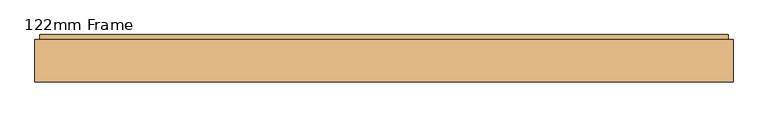
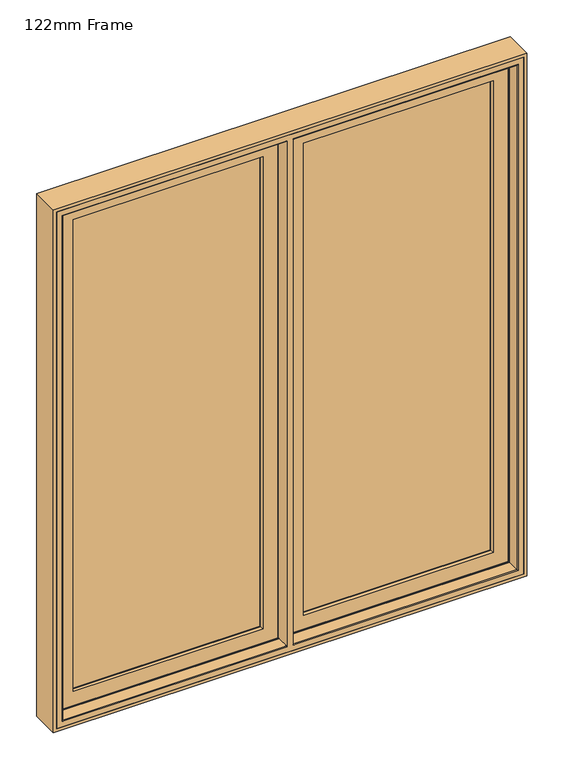
"""IFC4 building model written with IfcOpenShell, lengths in millimetres: door geometry, 122mm Frame."""

from ifc_helpers import new_model, si_unit, frame, origin, place, context, project, spatial, polyline, circle_curve, ellipse_curve, outline, extrude, faceted_brep, source, transform, mapped, element, save
from ifc_brep_helpers import plane_surface, cylinder_surface, advanced_brep


def door_122mm_frame_86a6da2f(model_context):
    return source(origin(), model_context, "Body", "SolidModel", [
        extrude(outline(polyline([(-810.0, 141.0), (-65.6, 141.0), (-65.6, 93.0), (-810.0, 93.0), (-810.0, 141.0)])), frame((0.0, 0.0, 90.0), z_axis=(0.0, 0.0, 1.0), x_axis=(1.0, 0.0, 0.0)), (0.0, 0.0, 1.0), 1920.0),
        faceted_brep([(-43.2001533, 153.0, 2032.3998467), (-43.2001533, 148.4070391, 2032.3998467), (-43.2001533, 148.4070391, 67.6001533), (-43.2001533, 153.0, 67.6001533), (-37.9260611, 139.5531262, 2037.6739389), (-37.9260611, 139.5531262, 62.3260611), (-832.3998467, 148.4070391, 67.6001533), (-832.3998467, 153.0, 67.6001533), (-832.3998467, 153.0, 2032.3998467), (-76.3433832, 153.0, 1999.2566168), (-799.2566168, 153.0, 1999.2566168), (-799.2566168, 153.0, 100.7433832), (-76.3433832, 153.0, 100.7433832), (-36.0866045, 139.5531262, 60.4866045), (-839.5133955, 139.5531262, 60.4866045), (-839.5133955, 139.5531262, 2039.5133955), (-36.0866045, 139.5531262, 2039.5133955), (-837.6739389, 139.5531262, 2037.6739389), (-837.6739389, 139.5531262, 62.3260611), (-36.0866045, 121.0, 2039.5133955), (-36.0866045, 121.0, 60.4866045), (-26.0866045, 121.0, 50.4866045), (-849.5133955, 121.0, 50.4866045), (-849.5133955, 121.0, 2049.5133955), (-26.0866045, 121.0, 2049.5133955), (-839.5133955, 121.0, 2039.5133955), (-839.5133955, 121.0, 60.4866045), (-26.0866045, 88.5, 2049.5133955), (-26.0866045, 88.5, 50.4866045), (-15.3023, 88.5, 39.7023001), (-860.2977, 88.5, 39.7023001), (-860.2977, 88.5, 2060.2977), (-15.3023, 88.5, 2060.2977), (-849.5133955, 88.5, 2049.5133955), (-849.5133955, 88.5, 50.4866045), (-15.3023, 83.5, 2060.2977), (-15.3023, 83.5, 39.7023001), (-860.2977, 83.5, 2060.2977), (-860.2977, 83.5, 39.7023001), (-22.1, 83.5, 46.5), (-853.5, 83.5, 46.5), (-853.5, 83.5, 2053.5), (-22.1, 83.5, 2053.5), (-22.1, 78.0, 2053.5), (-22.1, 78.0, 46.5), (-853.5, 78.0, 2053.5), (-853.5, 78.0, 46.5), (-77.2842184, 78.0, 101.6842184), (-798.3157816, 78.0, 101.6842184), (-798.3157816, 78.0, 1998.3157816), (-77.2842184, 78.0, 1998.3157816), (-79.5996933, 88.8934531, 1996.0003067), (-79.5996933, 88.8934531, 103.9996933), (-79.5996933, 93.0, 1996.0003067), (-79.5996933, 93.0, 103.9996933), (-796.0003067, 88.8934531, 103.9996933), (-65.6, 93.0, 90.0), (-810.0, 93.0, 90.0), (-810.0, 93.0, 2010.0), (-65.6, 93.0, 2010.0), (-796.0003067, 93.0, 1996.0003067), (-796.0003067, 93.0, 103.9996933), (-65.6, 141.0, 2010.0), (-65.6, 141.0, 90.0), (-810.0, 141.0, 2010.0), (-810.0, 141.0, 90.0), (-80.0121514, 141.0, 104.4121514), (-795.5878486, 141.0, 104.4121514), (-795.5878486, 141.0, 1995.5878486), (-80.0121514, 141.0, 1995.5878486), (-832.3998467, 148.4070391, 2032.3998467), (-796.0003067, 88.8934531, 1996.0003067)], [[[0, 1, 2, 3]], [[1, 4, 5, 2]], [[3, 2, 6, 7]], [[3, 7, 8, 0], [9, 10, 11, 12]], [[13, 14, 15, 16], [4, 17, 18, 5]], [[2, 5, 18, 6]], [[16, 19, 20, 13]], [[21, 22, 23, 24], [19, 25, 26, 20]], [[13, 20, 26, 14]], [[24, 27, 28, 21]], [[29, 30, 31, 32], [27, 33, 34, 28]], [[21, 28, 34, 22]], [[32, 35, 36, 29]], [[35, 37, 38, 36], [39, 40, 41, 42]], [[29, 36, 38, 30]], [[42, 43, 44, 39]], [[43, 45, 46, 44], [47, 48, 49, 50]], [[39, 44, 46, 40]], [[50, 51, 52, 47]], [[51, 53, 54, 52]], [[47, 52, 55, 48]], [[56, 57, 58, 59], [53, 60, 61, 54]], [[52, 54, 61, 55]], [[59, 62, 63, 56]], [[62, 64, 65, 63], [66, 67, 68, 69]], [[56, 63, 65, 57]], [[69, 9, 12, 66]], [[66, 12, 11, 67]], [[7, 6, 70, 8]], [[6, 18, 17, 70]], [[14, 26, 25, 15]], [[22, 34, 33, 23]], [[30, 38, 37, 31]], [[40, 46, 45, 41]], [[48, 55, 71, 49]], [[55, 61, 60, 71]], [[57, 65, 64, 58]], [[67, 11, 10, 68]], [[8, 70, 1, 0]], [[70, 17, 4, 1]], [[15, 25, 19, 16]], [[23, 33, 27, 24]], [[31, 37, 35, 32]], [[41, 45, 43, 42]], [[49, 71, 51, 50]], [[71, 60, 53, 51]], [[58, 64, 62, 59]], [[68, 10, 9, 69]]]),
        advanced_brep(
        [(-864.0, 83.0, 2064.0), (-864.0, 35.0, 2064.0), (-864.0, 35.0, 36.0), (-864.0, 83.0, 36.0), (-867.0, 32.0, 2067.0), (-867.0, 32.0, 33.0), (-12.0, 35.0, 36.0), (-12.0, 83.0, 36.0), (864.0, 35.0, 36.0), (864.0, 83.0, 36.0), (12.0, 83.0, 36.0), (12.0, 35.0, 36.0), (-12.0, 83.0, 38.0), (-862.0, 83.0, 38.0), (-862.0, 83.0, 2062.0), (-12.0, 83.0, 2062.0), (-12.0, 83.0, 2064.0), (864.0, 83.0, 2064.0), (12.0, 83.0, 2064.0), (12.0, 83.0, 2062.0), (862.0, 83.0, 2062.0), (862.0, 83.0, 38.0), (12.0, 83.0, 38.0), (-862.0, 111.4, 2062.0), (-862.0, 111.4, 38.0), (-12.0, 91.0, 38.0), (-20.2, 91.0, 38.0), (-17.695195, 111.4, 38.0), (862.0, 111.4, 38.0), (17.695195, 111.4, 38.0), (20.2, 91.0, 38.0), (12.0, 91.0, 38.0), (-17.695195, 111.4, 46.0999998), (-853.9000002, 111.4, 46.0999998), (-853.9000002, 111.4, 2053.9000002), (-17.695195, 111.4, 2053.9000002), (-17.695195, 111.4, 2062.0), (862.0, 111.4, 2062.0), (17.695195, 111.4, 2062.0), (17.695195, 111.4, 2053.9000002), (853.9000002, 111.4, 2053.9000002), (853.9000002, 111.4, 46.0999998), (17.695195, 111.4, 46.0999998), (-853.9000002, 126.0, 2053.9000002), (-853.9000002, 126.0, 46.0999998), (-15.9025404, 126.0, 46.0999998), (853.9000002, 126.0, 46.0999998), (15.9025404, 126.0, 46.0999998), (-15.9025404, 126.0, 53.2798057), (-846.7201943, 126.0, 53.2798057), (-846.7201943, 126.0, 2046.7201943), (-15.9025404, 126.0, 2046.7201943), (-15.9025404, 126.0, 2053.9000002), (853.9000002, 126.0, 2053.9000002), (15.9025404, 126.0, 2053.9000002), (15.9025404, 126.0, 2046.7201943), (846.7201943, 126.0, 2046.7201943), (846.7201943, 126.0, 53.2798057), (15.9025404, 126.0, 53.2798057), (-846.7201943, 140.2372876, 2046.7201943), (-846.7201943, 140.2372876, 53.2798057), (-14.1544213, 140.2372876, 53.2798057), (846.7201943, 140.2372876, 53.2798057), (14.1544213, 140.2372876, 53.2798057), (-14.1544213, 140.2372876, 61.9868914), (-838.0131086, 140.2372876, 61.9868914), (-838.0131086, 140.2372876, 2038.0131086), (-14.1544213, 140.2372876, 2038.0131086), (-14.1544213, 140.2372876, 2046.7201943), (846.7201943, 140.2372876, 2046.7201943), (14.1544213, 140.2372876, 2046.7201943), (14.1544213, 140.2372876, 2038.0131086), (838.0131086, 140.2372876, 2038.0131086), (838.0131086, 140.2372876, 61.9868914), (14.1544213, 140.2372876, 61.9868914), (-838.0131086, 143.3877115, 2038.0131086), (-838.0131086, 143.3877115, 61.9868914), (-13.9379874, 142.0, 61.9868914), (-38.4111574, 142.0, 61.9868914), (-37.9868914, 143.3877115, 61.9868914), (838.0131086, 143.3877115, 61.9868914), (37.9868914, 143.3877115, 61.9868914), (38.4111574, 142.0, 61.9868914), (13.9379874, 142.0, 61.9868914), (-841.2576108, 154.0, 58.7423892), (-841.2576108, 154.0, 2041.2576108), (-34.7423892, 154.0, 58.7423892), (841.2576108, 154.0, 58.7423892), (34.7423892, 154.0, 58.7423892), (888.0, 154.0, 12.0), (-888.0, 154.0, 12.0), (-888.0, 154.0, 2088.0), (888.0, 154.0, 2088.0), (-34.7423892, 154.0, 2041.2576108), (841.2576108, 154.0, 2041.2576108), (34.7423892, 154.0, 2041.2576108), (-888.0, 90.5, 2088.0), (-888.0, 90.5, 12.0), (888.0, 90.5, 12.0), (12.0, 90.5, 12.0), (12.0, 86.5, 12.0), (888.0, 86.5, 12.0), (888.0, 32.0, 12.0), (-888.0, 32.0, 12.0), (-888.0, 86.5, 12.0), (-12.0, 86.5, 12.0), (-12.0, 90.5, 12.0), (-12.0, 90.5, 19.0), (-881.0, 90.5, 19.0), (-881.0, 90.5, 2081.0), (-12.0, 90.5, 2081.0), (-12.0, 90.5, 2088.0), (888.0, 90.5, 2088.0), (12.0, 90.5, 2088.0), (12.0, 90.5, 2081.0), (881.0, 90.5, 2081.0), (881.0, 90.5, 19.0), (12.0, 90.5, 19.0), (-12.0, 32.0, 33.0), (867.0, 32.0, 33.0), (12.0, 32.0, 33.0), (-12.0, 86.5, 19.0), (-12.0, 32.0, 2067.0), (-12.0, 35.0, 2064.0), (-12.0, 91.0, 2062.0), (-12.0, 86.5, 2088.0), (-12.0, 86.5, 2081.0), (864.0, 35.0, 2064.0), (12.0, 86.5, 19.0), (12.0, 32.0, 2067.0), (12.0, 91.0, 2062.0), (12.0, 35.0, 2064.0), (12.0, 86.5, 2088.0), (12.0, 86.5, 2081.0), (-20.2, 91.0, 2062.0), (-13.9379874, 142.0, 2038.0131086), (20.2, 91.0, 2062.0), (13.9379874, 142.0, 2038.0131086), (-38.4111574, 142.0, 2038.0131086), (-37.9868914, 143.3877115, 2038.0131086), (838.0131086, 143.3877115, 2038.0131086), (37.9868914, 143.3877115, 2038.0131086), (38.4111574, 142.0, 2038.0131086), (-881.0, 86.5, 2081.0), (-881.0, 86.5, 19.0), (-888.0, 86.5, 2088.0), (881.0, 86.5, 19.0), (881.0, 86.5, 2081.0), (888.0, 86.5, 2088.0), (888.0, 32.0, 2088.0), (-888.0, 32.0, 2088.0), (867.0, 32.0, 2067.0)],
        [
            (0, 1),
            (1, 2),
            (2, 3),
            (3, 0),
            (1, 4, ellipse_curve(frame((-867.0, 35.0, 2067.0), z_axis=(-0.7071067811865475, 0.0, -0.7071067811865475), x_axis=(-0.7071067811865474, 0.0, 0.7071067811865476)), 4.2426407, 3.0)),
            (4, 5),
            (5, 2, ellipse_curve(frame((-867.0, 35.0, 33.0), z_axis=(-0.7071067811865475, 0.0, 0.7071067811865475), x_axis=(0.7071067811865474, 0.0, 0.7071067811865476)), 4.2426407, 3.0)),
            (2, 6),
            (6, 7),
            (7, 3),
            (8, 9),
            (9, 10),
            (10, 11),
            (11, 8),
            (7, 12),
            (12, 13),
            (13, 14),
            (14, 15),
            (15, 16),
            (16, 0),
            (9, 17),
            (17, 18),
            (18, 19),
            (19, 20),
            (20, 21),
            (21, 22),
            (22, 10),
            (23, 14),
            (13, 24),
            (24, 23),
            (12, 25),
            (25, 26),
            (26, 27),
            (27, 24),
            (21, 28),
            (28, 29),
            (29, 30),
            (30, 31),
            (31, 22),
            (27, 32),
            (32, 33),
            (33, 34),
            (34, 35),
            (35, 36),
            (36, 23),
            (28, 37),
            (37, 38),
            (38, 39),
            (39, 40),
            (40, 41),
            (41, 42),
            (42, 29),
            (43, 34),
            (33, 44),
            (44, 43),
            (32, 45),
            (45, 44),
            (41, 46),
            (46, 47),
            (47, 42),
            (45, 48),
            (48, 49),
            (49, 50),
            (50, 51),
            (51, 52),
            (52, 43),
            (46, 53),
            (53, 54),
            (54, 55),
            (55, 56),
            (56, 57),
            (57, 58),
            (58, 47),
            (59, 50),
            (49, 60),
            (60, 59),
            (48, 61),
            (61, 60),
            (57, 62),
            (62, 63),
            (63, 58),
            (61, 64),
            (64, 65),
            (65, 66),
            (66, 67),
            (67, 68),
            (68, 59),
            (62, 69),
            (69, 70),
            (70, 71),
            (71, 72),
            (72, 73),
            (73, 74),
            (74, 63),
            (75, 66),
            (65, 76),
            (76, 75),
            (64, 77),
            (77, 78),
            (78, 79),
            (79, 76),
            (73, 80),
            (80, 81),
            (81, 82),
            (82, 83),
            (83, 74),
            (76, 84),
            (84, 85),
            (85, 75),
            (79, 86),
            (86, 84),
            (80, 87),
            (87, 88),
            (88, 81),
            (89, 90),
            (90, 91),
            (91, 92),
            (92, 89),
            (86, 93),
            (93, 85),
            (94, 95),
            (95, 88),
            (87, 94),
            (96, 91),
            (90, 97),
            (97, 96),
            (89, 98),
            (98, 99),
            (99, 100),
            (100, 101),
            (101, 102),
            (102, 103),
            (103, 104),
            (104, 105),
            (105, 106),
            (106, 97),
            (106, 107),
            (107, 108),
            (108, 109),
            (109, 110),
            (110, 111),
            (111, 96),
            (98, 112),
            (112, 113),
            (113, 114),
            (114, 115),
            (115, 116),
            (116, 117),
            (117, 99),
            (5, 118),
            (118, 6, circle_curve(frame((-12.0, 35.0, 33.0), z_axis=(-1.0, 0.0, 0.0), x_axis=(0.0, 1.0, 0.0)), 3.0)),
            (119, 8, ellipse_curve(frame((867.0, 35.0, 33.0), z_axis=(-0.7071067811865475, 0.0, -0.7071067811865475), x_axis=(-0.7071067811865476, 0.0, 0.7071067811865474)), 4.2426407, 3.0)),
            (11, 120, circle_curve(frame((12.0, 35.0, 33.0), z_axis=(1.0, 0.0, 0.0), x_axis=(0.0, 1.0, 0.0)), 3.0)),
            (120, 119),
            (105, 121),
            (121, 107),
            (118, 122),
            (122, 123, circle_curve(frame((-12.0, 35.0, 2067.0), z_axis=(1.0, 0.0, 0.0), x_axis=(0.0, 1.0, 0.0)), 3.0)),
            (123, 16),
            (15, 124),
            (124, 25),
            (125, 111),
            (110, 126),
            (126, 125),
            (8, 127),
            (127, 17),
            (117, 128),
            (128, 100),
            (129, 120),
            (31, 130),
            (130, 19),
            (18, 131),
            (131, 129, circle_curve(frame((12.0, 35.0, 2067.0), z_axis=(-1.0, 0.0, 0.0), x_axis=(0.0, 1.0, 0.0)), 3.0)),
            (113, 132),
            (132, 133),
            (133, 114),
            (134, 26),
            (124, 134),
            (135, 77),
            (134, 36),
            (35, 52),
            (51, 68),
            (67, 135),
            (20, 37),
            (136, 30),
            (83, 137),
            (137, 71),
            (70, 55),
            (54, 39),
            (38, 136),
            (136, 130),
            (40, 53),
            (56, 69),
            (138, 78),
            (135, 138),
            (138, 139),
            (139, 93),
            (72, 140),
            (140, 80),
            (95, 141),
            (141, 142),
            (142, 82),
            (142, 137),
            (140, 94),
            (92, 112),
            (143, 144),
            (144, 121),
            (104, 145),
            (145, 125),
            (126, 143),
            (146, 147),
            (147, 133),
            (132, 148),
            (148, 101),
            (128, 146),
            (149, 102),
            (148, 149),
            (149, 150),
            (150, 103),
            (4, 122),
            (129, 151),
            (151, 119),
            (150, 145),
            (151, 127, ellipse_curve(frame((867.0, 35.0, 2067.0), z_axis=(0.7071067811865475, 0.0, -0.7071067811865475), x_axis=(-0.7071067811865474, 0.0, -0.7071067811865476)), 4.2426407, 3.0)),
            (143, 109),
            (108, 144),
            (116, 146),
            (115, 147),
            (123, 1),
            (127, 131),
            (75, 139),
            (141, 140),
        ],
        [
            plane_surface(frame((-864.0, 35.0, 2064.0), z_axis=(1.0, 0.0, 0.0), x_axis=(0.0, 0.0, -1.0))),
            cylinder_surface(frame((-867.0, 35.0, 2088.0), z_axis=(0.0, 0.0, 1.0), x_axis=(0.0, 1.0, 0.0)), 3.0),
            plane_surface(frame((-864.0, 35.0, 36.0), z_axis=(0.0, 0.0, 1.0), x_axis=(1.0, 0.0, 0.0))),
            plane_surface(frame((864.0, 83.0, 2064.0), z_axis=(0.0, -1.0, 0.0), x_axis=(-1.0, 0.0, 0.0))),
            plane_surface(frame((-862.0, 83.0, 2062.0), z_axis=(1.0, 0.0, 0.0), x_axis=(0.0, 0.0, -1.0))),
            plane_surface(frame((-862.0, 83.0, 38.0), z_axis=(0.0, 0.0, 1.0), x_axis=(1.0, 0.0, 0.0))),
            plane_surface(frame((862.0, 111.4, 2062.0), z_axis=(0.0, -1.0, 0.0), x_axis=(-1.0, 0.0, 0.0))),
            plane_surface(frame((-853.9000002, 111.4, 2053.9000002), z_axis=(1.0, 0.0, 0.0), x_axis=(0.0, 0.0, -1.0))),
            plane_surface(frame((-853.9000002, 111.4, 46.0999998), z_axis=(0.0, 0.0, 1.0), x_axis=(1.0, 0.0, 0.0))),
            plane_surface(frame((853.9000002, 126.0, 2053.9000002), z_axis=(0.0, -1.0, 0.0), x_axis=(-1.0, 0.0, 0.0))),
            plane_surface(frame((-846.7201943, 126.0, 2046.7201943), z_axis=(1.0, 0.0, 0.0), x_axis=(0.0, 0.0, -1.0))),
            plane_surface(frame((-846.7201943, 126.0, 53.2798057), z_axis=(0.0, 0.0, 1.0), x_axis=(1.0, 0.0, 0.0))),
            plane_surface(frame((846.7201943, 140.2372876, 2046.7201943), z_axis=(0.0, -1.0, 0.0), x_axis=(-1.0, 0.0, 0.0))),
            plane_surface(frame((-838.0131086, 140.2372876, 2038.0131086), z_axis=(1.0, 0.0, 0.0), x_axis=(0.0, 0.0, -1.0))),
            plane_surface(frame((-838.0131086, 140.2372876, 61.9868914), z_axis=(0.0, 0.0, 1.0), x_axis=(1.0, 0.0, 0.0))),
            plane_surface(frame((-838.0131086, 143.3877115, 2038.0131086), z_axis=(0.9563047559629361, 0.29237170472306184, 0.0), x_axis=(0.0, 0.0, -1.0))),
            plane_surface(frame((-838.0131086, 143.3877115, 61.9868914), z_axis=(0.0, 0.29237170472306184, 0.9563047559629361), x_axis=(1.0, 0.0, 0.0))),
            plane_surface(frame((841.2576108, 154.0, 2041.2576108), z_axis=(0.0, 1.0, 0.0), x_axis=(-1.0, 0.0, 0.0))),
            plane_surface(frame((-888.0, 154.0, 2088.0), z_axis=(-1.0, 0.0, 0.0), x_axis=(0.0, 0.0, -1.0))),
            plane_surface(frame((-888.0, 154.0, 12.0), z_axis=(0.0, 0.0, -1.0), x_axis=(1.0, 0.0, 0.0))),
            plane_surface(frame((888.0, 90.5, 2088.0), z_axis=(0.0, -1.0, 0.0), x_axis=(-1.0, 0.0, 0.0))),
            cylinder_surface(frame((-888.0, 35.0, 33.0), z_axis=(-1.0, 0.0, 0.0), x_axis=(0.0, 1.0, 0.0)), 3.0),
            plane_surface(frame((-12.0, 91.0, 2088.0), z_axis=(-1.0, 0.0, 0.0), x_axis=(0.0, 0.0, -1.0))),
            plane_surface(frame((864.0, 35.0, 36.0), z_axis=(-1.0, 0.0, 0.0), x_axis=(0.0, 0.0, 1.0))),
            plane_surface(frame((12.0, 32.0, 2088.0), z_axis=(1.0, 0.0, 0.0), x_axis=(0.0, 0.0, -1.0))),
            plane_surface(frame((-20.2, 91.0, 2088.0), z_axis=(0.0, -1.0, 0.0), x_axis=(0.0, 0.0, -1.0))),
            plane_surface(frame((-13.9379874, 142.0, 2088.0), z_axis=(-0.9925461516413188, 0.12186934340517401, 0.0), x_axis=(0.0, 0.0, -1.0))),
            plane_surface(frame((862.0, 83.0, 38.0), z_axis=(-1.0, 0.0, 0.0), x_axis=(0.0, 0.0, 1.0))),
            plane_surface(frame((20.2, 91.0, 2088.0), z_axis=(0.9925461516413152, 0.12186934340520379, 0.0), x_axis=(0.0, 0.0, -1.0))),
            plane_surface(frame((12.0, 91.0, 2088.0), z_axis=(0.0, -1.0, 0.0), x_axis=(0.0, 0.0, -1.0))),
            plane_surface(frame((853.9000002, 111.4, 46.0999998), z_axis=(-1.0, 0.0, 0.0), x_axis=(0.0, 0.0, 1.0))),
            plane_surface(frame((846.7201943, 126.0, 53.2798057), z_axis=(-1.0, 0.0, 0.0), x_axis=(0.0, 0.0, 1.0))),
            plane_surface(frame((-38.4111574, 142.0, 2088.0), z_axis=(0.0, -1.0, 0.0), x_axis=(0.0, 0.0, -1.0))),
            plane_surface(frame((-34.7423892, 154.0, 2088.0), z_axis=(-0.9563047559630359, 0.2923717047227355, 0.0), x_axis=(0.0, 0.0, -1.0))),
            plane_surface(frame((838.0131086, 140.2372876, 61.9868914), z_axis=(-1.0, 0.0, 0.0), x_axis=(0.0, 0.0, 1.0))),
            plane_surface(frame((38.4111574, 142.0, 2088.0), z_axis=(0.956304755963034, 0.2923717047227417, 0.0), x_axis=(0.0, 0.0, -1.0))),
            plane_surface(frame((13.9379874, 142.0, 2088.0), z_axis=(0.0, -1.0, 0.0), x_axis=(0.0, 0.0, -1.0))),
            plane_surface(frame((838.0131086, 143.3877115, 61.9868914), z_axis=(-0.9563047559629361, 0.29237170472306184, 0.0), x_axis=(0.0, 0.0, 1.0))),
            plane_surface(frame((888.0, 154.0, 12.0), z_axis=(1.0, 0.0, 0.0), x_axis=(0.0, 0.0, 1.0))),
            plane_surface(frame((881.0, 86.5, 2081.0), z_axis=(0.0, 1.0, 0.0), x_axis=(-1.0, 0.0, 0.0))),
            plane_surface(frame((888.0, 86.5, 12.0), z_axis=(1.0, 0.0, 0.0), x_axis=(0.0, 0.0, 1.0))),
            plane_surface(frame((888.0, 32.0, 2088.0), z_axis=(0.0, -1.0, 0.0), x_axis=(-1.0, 0.0, 0.0))),
            plane_surface(frame((-888.0, 86.5, 2088.0), z_axis=(-1.0, 0.0, 0.0), x_axis=(0.0, 0.0, -1.0))),
            cylinder_surface(frame((867.0, 35.0, 12.0), z_axis=(0.0, 0.0, -1.0), x_axis=(0.0, 1.0, 0.0)), 3.0),
            plane_surface(frame((-881.0, 90.5, 2081.0), z_axis=(-1.0, 0.0, 0.0), x_axis=(0.0, 0.0, -1.0))),
            plane_surface(frame((-881.0, 90.5, 19.0), z_axis=(0.0, 0.0, -1.0), x_axis=(1.0, 0.0, 0.0))),
            plane_surface(frame((881.0, 90.5, 19.0), z_axis=(1.0, 0.0, 0.0), x_axis=(0.0, 0.0, 1.0))),
            plane_surface(frame((864.0, 35.0, 2064.0), z_axis=(0.0, 0.0, -1.0), x_axis=(-1.0, 0.0, 0.0))),
            plane_surface(frame((862.0, 83.0, 2062.0), z_axis=(0.0, 0.0, -1.0), x_axis=(-1.0, 0.0, 0.0))),
            plane_surface(frame((853.9000002, 111.4, 2053.9000002), z_axis=(0.0, 0.0, -1.0), x_axis=(-1.0, 0.0, 0.0))),
            plane_surface(frame((846.7201943, 126.0, 2046.7201943), z_axis=(0.0, 0.0, -1.0), x_axis=(-1.0, 0.0, 0.0))),
            plane_surface(frame((838.0131086, 140.2372876, 2038.0131086), z_axis=(0.0, 0.0, -1.0), x_axis=(-1.0, 0.0, 0.0))),
            plane_surface(frame((838.0131086, 143.3877115, 2038.0131086), z_axis=(0.0, 0.29237170472306184, -0.9563047559629361), x_axis=(-1.0, 0.0, 0.0))),
            plane_surface(frame((888.0, 154.0, 2088.0), z_axis=(0.0, 0.0, 1.0), x_axis=(-1.0, 0.0, 0.0))),
            cylinder_surface(frame((888.0, 35.0, 2067.0), z_axis=(1.0, 0.0, 0.0), x_axis=(0.0, 1.0, 0.0)), 3.0),
            plane_surface(frame((881.0, 90.5, 2081.0), z_axis=(0.0, 0.0, 1.0), x_axis=(-1.0, 0.0, 0.0))),
        ],
        [
            (0, [[1, 2, 3, 4]]),
            (1, [[-2, 5, 6, 7]]),
            (2, [[-3, 8, 9, 10]]),
            (2, [[11, 12, 13, 14]]),
            (3, [[-4, -10, 15, 16, 17, 18, 19, 20]]),
            (3, [[21, 22, 23, 24, 25, 26, 27, -12]]),
            (4, [[28, -17, 29, 30]]),
            (5, [[-29, -16, 31, 32, 33, 34]]),
            (5, [[35, 36, 37, 38, 39, -26]]),
            (6, [[-30, -34, 40, 41, 42, 43, 44, 45]]),
            (6, [[46, 47, 48, 49, 50, 51, 52, -36]]),
            (7, [[53, -42, 54, 55]]),
            (8, [[-54, -41, 56, 57]]),
            (8, [[58, 59, 60, -51]]),
            (9, [[-55, -57, 61, 62, 63, 64, 65, 66]]),
            (9, [[67, 68, 69, 70, 71, 72, 73, -59]]),
            (10, [[74, -63, 75, 76]]),
            (11, [[-75, -62, 77, 78]]),
            (11, [[79, 80, 81, -72]]),
            (12, [[-76, -78, 82, 83, 84, 85, 86, 87]]),
            (12, [[88, 89, 90, 91, 92, 93, 94, -80]]),
            (13, [[95, -84, 96, 97]]),
            (14, [[-96, -83, 98, 99, 100, 101]]),
            (14, [[102, 103, 104, 105, 106, -93]]),
            (15, [[-97, 107, 108, 109]]),
            (16, [[-107, -101, 110, 111]]),
            (16, [[112, 113, 114, -103]]),
            (17, [[115, 116, 117, 118], [-108, -111, 119, 120], [121, 122, -113, 123]]),
            (18, [[124, -116, 125, 126]]),
            (19, [[-125, -115, 127, 128, 129, 130, 131, 132, 133, 134, 135, 136]]),
            (20, [[-126, -136, 137, 138, 139, 140, 141, 142]]),
            (20, [[143, 144, 145, 146, 147, 148, 149, -128]]),
            (21, [[-7, 150, 151, -8]]),
            (21, [[152, -14, 153, 154]]),
            (22, [[-135, 155, 156, -137]]),
            (22, [[157, 158, 159, -19, 160, 161, -31, -15, -9, -151]]),
            (22, [[162, -141, 163, 164]]),
            (23, [[-11, 165, 166, -21]]),
            (24, [[-129, -149, 167, 168]]),
            (24, [[169, -153, -13, -27, -39, 170, 171, -23, 172, 173]]),
            (24, [[174, 175, 176, -145]]),
            (25, [[177, -32, -161, 178]]),
            (26, [[179, -98, -82, -77, -61, -56, -40, -33, -177, 180, -44, 181, -65, 182, -86, 183]]),
            (27, [[-35, -25, 184, -46]]),
            (28, [[185, -37, -52, -60, -73, -81, -94, -106, 186, 187, -90, 188, -69, 189, -48, 190]]),
            (29, [[-170, -38, -185, 191]]),
            (30, [[-58, -50, 192, -67]]),
            (31, [[-79, -71, 193, -88]]),
            (32, [[194, -99, -179, 195]]),
            (33, [[-119, -110, -100, -194, 196, 197]]),
            (34, [[-102, -92, 198, 199]]),
            (35, [[-122, 200, 201, 202, -104, -114]]),
            (36, [[-186, -105, -202, 203]]),
            (37, [[-112, -199, 204, -123]]),
            (38, [[-127, -118, 205, -143]]),
            (39, [[206, 207, -155, -134, 208, 209, -164, 210]]),
            (39, [[211, 212, -175, 213, 214, -130, -168, 215]]),
            (40, [[216, -131, -214, 217]]),
            (41, [[-132, -216, 218, 219], [-6, 220, -157, -150], [-154, -169, 221, 222]]),
            (42, [[-219, 223, -208, -133]]),
            (43, [[-165, -152, -222, 224]]),
            (44, [[225, -139, 226, -206]]),
            (45, [[-226, -138, -156, -207]]),
            (45, [[227, -215, -167, -148]]),
            (46, [[-227, -147, 228, -211]]),
            (47, [[-1, -20, -159, 229]]),
            (47, [[-166, 230, -172, -22]]),
            (48, [[-28, -45, -180, -178, -160, -18]]),
            (48, [[-184, -24, -171, -191, -190, -47]]),
            (49, [[-53, -66, -181, -43]]),
            (49, [[-192, -49, -189, -68]]),
            (50, [[-74, -87, -182, -64]]),
            (50, [[-193, -70, -188, -89]]),
            (51, [[-95, 231, -196, -195, -183, -85]]),
            (51, [[-198, -91, -187, -203, -201, 232]]),
            (52, [[-109, -120, -197, -231]]),
            (52, [[-204, -232, -200, -121]]),
            (53, [[-117, -124, -142, -162, -209, -223, -218, -217, -213, -174, -144, -205]]),
            (54, [[-5, -229, -158, -220]]),
            (54, [[-224, -221, -173, -230]]),
            (55, [[-225, -210, -163, -140]]),
            (55, [[-228, -146, -176, -212]]),
        ],
    ),
        extrude(outline(polyline([(2100.0, -900.0), (0.0, -900.0), (0.0, 900.0), (2100.0, 900.0), (2100.0, -900.0)]), holes=[polyline([(2088.0, 888.0), (12.0, 888.0), (12.0, -888.0), (2088.0, -888.0), (2088.0, 888.0)])]), frame((0.0, 32.0, 0.0), z_axis=(0.0, 1.0, 0.0), x_axis=(0.0, 0.0, 1.0)), (0.0, 0.0, 1.0), 109.0),
        extrude(outline(polyline([(65.6, 141.0), (810.0, 141.0), (810.0, 93.0), (65.6, 93.0), (65.6, 141.0)])), frame((0.0, 0.0, 90.0), z_axis=(0.0, 0.0, 1.0), x_axis=(1.0, 0.0, 0.0)), (0.0, 0.0, 1.0), 1920.0),
        faceted_brep([(43.2001533, 148.4070391, 2032.3998467), (43.2001533, 153.0, 2032.3998467), (43.2001533, 153.0, 67.6001533), (43.2001533, 148.4070391, 67.6001533), (832.3998467, 153.0, 2032.3998467), (832.3998467, 153.0, 67.6001533), (76.3433832, 153.0, 100.7433832), (799.2566168, 153.0, 100.7433832), (799.2566168, 153.0, 1999.2566168), (76.3433832, 153.0, 1999.2566168), (832.3998467, 148.4070391, 67.6001533), (37.9260611, 139.5531262, 2037.6739389), (37.9260611, 139.5531262, 62.3260611), (837.6739389, 139.5531262, 62.3260611), (36.0866045, 139.5531262, 2039.5133955), (839.5133955, 139.5531262, 2039.5133955), (839.5133955, 139.5531262, 60.4866045), (36.0866045, 139.5531262, 60.4866045), (837.6739389, 139.5531262, 2037.6739389), (36.0866045, 121.0, 2039.5133955), (36.0866045, 121.0, 60.4866045), (839.5133955, 121.0, 60.4866045), (26.0866045, 121.0, 2049.5133955), (849.5133955, 121.0, 2049.5133955), (849.5133955, 121.0, 50.4866045), (26.0866045, 121.0, 50.4866045), (839.5133955, 121.0, 2039.5133955), (26.0866045, 88.5, 2049.5133955), (26.0866045, 88.5, 50.4866045), (849.5133955, 88.5, 50.4866045), (15.3023, 88.5, 2060.2977), (860.2976999, 88.5, 2060.2977), (860.2976999, 88.5, 39.7023001), (15.3023, 88.5, 39.7023001), (849.5133955, 88.5, 2049.5133955), (15.3023, 83.5, 2060.2977), (15.3023, 83.5, 39.7023001), (860.2976999, 83.5, 39.7023001), (860.2976999, 83.5, 2060.2977), (22.1, 83.5, 2053.5), (853.5, 83.5, 2053.5), (853.5, 83.5, 46.5), (22.1, 83.5, 46.5), (22.1, 78.0, 2053.5), (22.1, 78.0, 46.5), (853.5, 78.0, 46.5), (853.5, 78.0, 2053.5), (77.2842184, 78.0, 1998.3157816), (798.3157816, 78.0, 1998.3157816), (798.3157816, 78.0, 101.6842184), (77.2842184, 78.0, 101.6842184), (79.5996933, 88.8934531, 1996.0003067), (79.5996933, 88.8934531, 103.9996933), (796.0003067, 88.8934531, 103.9996933), (79.5996933, 93.0, 1996.0003067), (79.5996933, 93.0, 103.9996933), (796.0003067, 93.0, 103.9996933), (65.6, 93.0, 2010.0), (810.0, 93.0, 2010.0), (810.0, 93.0, 90.0), (65.6, 93.0, 90.0), (796.0003067, 93.0, 1996.0003067), (65.6, 141.0, 2010.0), (65.6, 141.0, 90.0), (810.0, 141.0, 90.0), (810.0, 141.0, 2010.0), (80.0121514, 141.0, 1995.5878486), (795.5878486, 141.0, 1995.5878486), (795.5878486, 141.0, 104.4121514), (80.0121514, 141.0, 104.4121514), (832.3998467, 148.4070391, 2032.3998467), (796.0003067, 88.8934531, 1996.0003067)], [[[0, 1, 2, 3]], [[1, 4, 5, 2], [6, 7, 8, 9]], [[3, 2, 5, 10]], [[11, 0, 3, 12]], [[12, 3, 10, 13]], [[14, 15, 16, 17], [12, 13, 18, 11]], [[19, 14, 17, 20]], [[20, 17, 16, 21]], [[22, 23, 24, 25], [20, 21, 26, 19]], [[27, 22, 25, 28]], [[28, 25, 24, 29]], [[30, 31, 32, 33], [28, 29, 34, 27]], [[35, 30, 33, 36]], [[36, 33, 32, 37]], [[36, 37, 38, 35], [39, 40, 41, 42]], [[43, 39, 42, 44]], [[44, 42, 41, 45]], [[44, 45, 46, 43], [47, 48, 49, 50]], [[51, 47, 50, 52]], [[52, 50, 49, 53]], [[54, 51, 52, 55]], [[55, 52, 53, 56]], [[57, 58, 59, 60], [55, 56, 61, 54]], [[62, 57, 60, 63]], [[63, 60, 59, 64]], [[63, 64, 65, 62], [66, 67, 68, 69]], [[9, 66, 69, 6]], [[6, 69, 68, 7]], [[10, 5, 4, 70]], [[13, 10, 70, 18]], [[21, 16, 15, 26]], [[29, 24, 23, 34]], [[37, 32, 31, 38]], [[45, 41, 40, 46]], [[53, 49, 48, 71]], [[56, 53, 71, 61]], [[64, 59, 58, 65]], [[7, 68, 67, 8]], [[70, 4, 1, 0]], [[18, 70, 0, 11]], [[26, 15, 14, 19]], [[34, 23, 22, 27]], [[38, 31, 30, 35]], [[46, 40, 39, 43]], [[71, 48, 47, 51]], [[61, 71, 51, 54]], [[65, 58, 57, 62]], [[8, 67, 66, 9]]]),
    ])


if __name__ == "__main__":
    model = new_model("IFC4")
    model_context = context("Model", 3, world=origin())
    ifc_project = project(units=[si_unit("LENGTHUNIT", "METRE", prefix="MILLI")], contexts=[model_context])
    site = spatial("IfcSite", under=ifc_project)
    building = spatial("IfcBuilding", under=site)
    placement = place(None, origin())
    door_122mm_frame_shape = door_122mm_frame_86a6da2f(model_context)
    element("IfcDoor", 1, ObjectType="122mm Frame", at=placement, inside=building, context=model_context, shape_type="MappedRepresentation", body=[
        mapped(door_122mm_frame_shape, transform((0.0, 0.0, 0.0), x_axis=(1.0, 0.0, 0.0), y_axis=(0.0, 1.0, 0.0), z_axis=(0.0, 0.0, 1.0))),
    ])
    save(model, "model.ifc")
